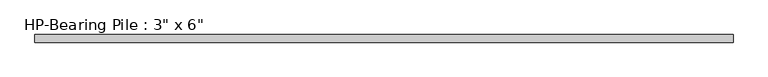
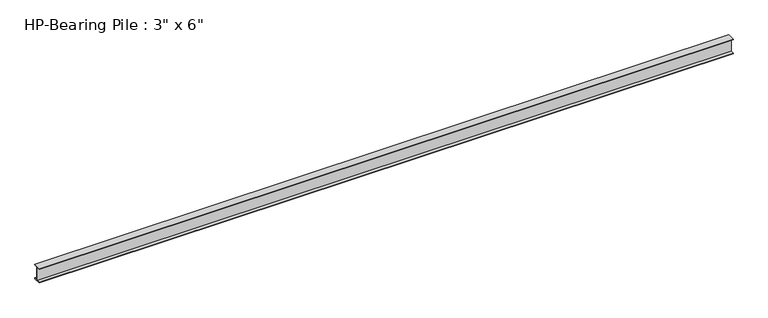
"""IFC4 building model written with IfcOpenShell, lengths in millimetres: beam geometry."""

from ifc_helpers import new_model, si_unit, frame, origin, place, context, project, spatial, polyline, outline, extrude, source, transform, mapped, element, save


def beam_098db084(model_context):
    return source(origin(), model_context, "Body", "SweptSolid", [
        extrude(outline(polyline([(38.1, -69.85), (38.1, -76.2), (-38.1, -76.2), (-38.1, -69.85), (-3.175, -69.85), (-3.175, 69.85), (-38.1, 69.85), (-38.1, 76.2), (38.1, 76.2), (38.1, 69.85), (3.175, 69.85), (3.175, -69.85), (38.1, -69.85)])), frame((-3486.15, 0.0, 0.0), z_axis=(1.0, 0.0, 0.0), x_axis=(0.0, 1.0, 0.0)), (0.0, 0.0, 1.0), 6972.3),
    ])


if __name__ == "__main__":
    model = new_model("IFC4")
    model_context = context("Model", 3, world=origin())
    ifc_project = project(units=[si_unit("LENGTHUNIT", "METRE", prefix="MILLI")], contexts=[model_context])
    site = spatial("IfcSite", under=ifc_project)
    building = spatial("IfcBuilding", under=site)
    placement = place(None, origin())
    beam_shape = beam_098db084(model_context)
    element("IfcBeam", 1, ObjectType="HP-Bearing Pile : 3\" x 6\"", at=placement, inside=building, context=model_context, shape_type="MappedRepresentation", body=[
        mapped(beam_shape, transform((0.0, 0.0, 0.0), x_axis=(1.0, 0.0, 0.0), y_axis=(0.0, 1.0, 0.0), z_axis=(0.0, 0.0, 1.0))),
    ])
    save(model, "model.ifc")
